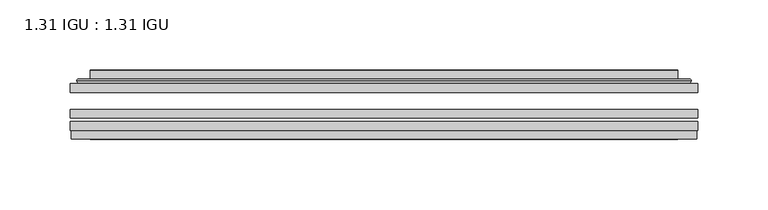
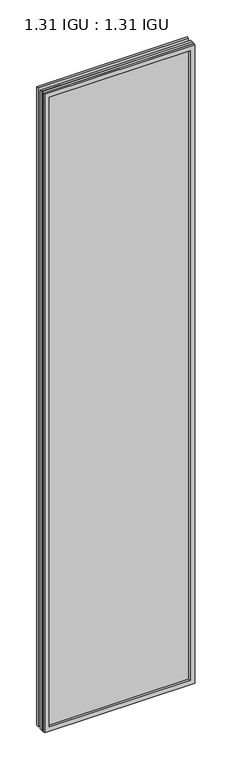
"""IFC4 building model written with IfcOpenShell, lengths in millimetres: plate geometry, 1.31 IGU : 1.31 IGU."""

from ifc_helpers import new_model, si_unit, frame, origin, place, context, project, spatial, polyline, ellipse_curve, outline, extrude, faceted_brep, source, transform, mapped, element, save
from ifc_brep_helpers import plane_surface, cylinder_surface, advanced_brep


def plate_1_31_igu_1_31_igu_d78f75a2(model_context):
    return source(origin(), model_context, "Body", "SolidModel", [
        extrude(outline(polyline([(223.851675, -63.59525), (223.851675, -69.94525), (-223.8375, -69.94525), (-223.8375, -63.59525), (223.851675, -63.59525)])), frame((0.0, 0.0, -14.2875), z_axis=(0.0, 0.0, 1.0), x_axis=(1.0, 0.0, 0.0)), (0.0, 0.0, 1.0), 2009.8015278),
        extrude(outline(polyline([(-223.8375, -78.58125), (-223.8375, -72.230745), (223.851675, -72.230745), (223.851675, -78.58125), (-223.8375, -78.58125)])), frame((0.0, 0.0, -14.2875), z_axis=(0.0, 0.0, 1.0), x_axis=(1.0, 0.0, 0.0)), (0.0, 0.0, 1.0), 2009.8015278),
        extrude(outline(polyline([(223.851675, -45.25645), (223.851675, -51.60645), (-223.8375, -51.60645), (-223.8375, -45.25645), (223.851675, -45.25645)])), frame((0.0, 0.0, -14.2875), z_axis=(0.0, 0.0, 1.0), x_axis=(1.0, 0.0, 0.0)), (0.0, 0.0, 1.0), 2009.8015278),
        faceted_brep([(-223.1373142, -84.93125, 1994.8100441), (-223.1373142, -78.58125, 1994.8100441), (-223.1373142, -78.58125, -13.5873142), (-223.1373142, -84.93125, -13.5873142), (223.1373142, -78.58125, -13.5873142), (223.1373142, -84.93125, -13.5873142), (223.1373142, -78.58125, 1994.8100441), (223.1373142, -84.93125, 1994.8100441), (-208.6522559, -78.58125, 0.8977441), (208.6522559, -78.58125, 0.8977441), (208.6522559, -78.58125, 1980.3249858), (-208.6522559, -78.58125, 1980.3249858), (-209.5446902, -84.93125, 1981.2174201), (209.5446902, -84.93125, 1981.2174201), (209.5446902, -84.93125, 0.0053098), (-209.5446902, -84.93125, 0.0053098)], [[[0, 1, 2, 3]], [[3, 2, 4, 5]], [[5, 4, 6, 7]], [[1, 6, 4, 2], [8, 9, 10, 11]], [[7, 6, 1, 0]], [[3, 5, 7, 0], [12, 13, 14, 15]], [[11, 12, 15, 8]], [[8, 15, 14, 9]], [[9, 14, 13, 10]], [[10, 13, 12, 11]]]),
        advanced_brep(
        [(-216.596219, -45.25645, 1988.2689489), (-218.9504244, -43.2667833, 1990.6231543), (-218.9504244, -43.2667833, -9.4004244), (-216.596219, -45.25645, -7.046219), (-207.5218939, -41.416413, 1979.1946238), (-202.5870621, -45.25645, 1974.2597919), (-202.5870621, -45.25645, 6.9629379), (-207.5218939, -41.416413, 2.0281061), (-208.5539217, -36.0191819, 1980.2266515), (-208.5539217, -36.0191819, 0.9960783), (-209.5445784, -35.6202069, 1981.2173083), (-209.5445784, -35.6202069, 0.0054216), (-209.5445784, -42.08145, 1981.2173083), (-209.5445784, -42.08145, 0.0054216), (-217.9486349, -42.08145, 1989.6213648), (-217.9486349, -42.08145, -8.3986349), (218.9504244, -43.2667833, -9.4004244), (216.596219, -45.25645, -7.046219), (202.5870621, -45.25645, 6.9629379), (207.5218939, -41.416413, 2.0281061), (208.5539217, -36.0191819, 0.9960783), (209.5445784, -35.6202069, 0.0054216), (209.5445784, -42.08145, 0.0054216), (217.9486349, -42.08145, -8.3986349), (218.9504244, -43.2667833, 1990.6231543), (216.596219, -45.25645, 1988.2689489), (202.5870621, -45.25645, 1974.2597919), (207.5218939, -41.416413, 1979.1946238), (208.5539217, -36.0191819, 1980.2266515), (209.5445784, -35.6202069, 1981.2173083), (209.5445784, -42.08145, 1981.2173083), (217.9486349, -42.08145, 1989.6213648)],
        [
            (0, 1, ellipse_curve(frame((-216.596219, -42.86885, 1988.2689489), z_axis=(-0.7071067811865475, 0.0, -0.7071067811865475), x_axis=(-0.7071067811865474, 0.0, 0.7071067811865476)), 3.3765763, 2.3876)),
            (1, 2),
            (2, 3, ellipse_curve(frame((-216.596219, -42.86885, -7.046219), z_axis=(-0.7071067811865475, 0.0, 0.7071067811865475), x_axis=(0.7071067811865474, 0.0, 0.7071067811865476)), 3.3765763, 2.3876)),
            (3, 0),
            (4, 5),
            (5, 6),
            (6, 7),
            (7, 4),
            (8, 4),
            (7, 9),
            (9, 8),
            (10, 8, ellipse_curve(frame((-209.1776219, -36.1384423, 1980.8503517), z_axis=(-0.7071067811865475, 0.0, -0.7071067811865475), x_axis=(-0.7071067811865474, 0.0, 0.7071067811865476)), 0.8980256, 0.635)),
            (9, 11, ellipse_curve(frame((-209.1776219, -36.1384423, 0.3723781), z_axis=(-0.7071067811865475, 0.0, 0.7071067811865475), x_axis=(0.7071067811865474, 0.0, 0.7071067811865476)), 0.8980256, 0.635)),
            (11, 10),
            (12, 10),
            (11, 13),
            (13, 12),
            (1, 14, ellipse_curve(frame((-217.9486349, -43.09745, 1989.6213648), z_axis=(-0.7071067811865475, 0.0, -0.7071067811865475), x_axis=(-0.7071067811865474, 0.0, 0.7071067811865476)), 1.436841, 1.016)),
            (14, 15),
            (15, 2, ellipse_curve(frame((-217.9486349, -43.09745, -8.3986349), z_axis=(-0.7071067811865475, 0.0, 0.7071067811865475), x_axis=(0.7071067811865474, 0.0, 0.7071067811865476)), 1.436841, 1.016)),
            (2, 16),
            (16, 17, ellipse_curve(frame((216.596219, -42.86885, -7.046219), z_axis=(-0.7071067811865475, 0.0, -0.7071067811865475), x_axis=(-0.7071067811865476, 0.0, 0.7071067811865474)), 3.3765763, 2.3876)),
            (17, 3),
            (6, 18),
            (18, 19),
            (19, 7),
            (19, 20),
            (20, 9),
            (20, 21, ellipse_curve(frame((209.1776219, -36.1384423, 0.3723781), z_axis=(-0.7071067811865475, 0.0, -0.7071067811865475), x_axis=(-0.7071067811865476, 0.0, 0.7071067811865474)), 0.8980256, 0.635)),
            (21, 11),
            (21, 22),
            (22, 13),
            (15, 23),
            (23, 16, ellipse_curve(frame((217.9486349, -43.09745, -8.3986349), z_axis=(-0.7071067811865475, 0.0, -0.7071067811865475), x_axis=(-0.7071067811865476, 0.0, 0.7071067811865474)), 1.436841, 1.016)),
            (16, 24),
            (24, 25, ellipse_curve(frame((216.596219, -42.86885, 1988.2689489), z_axis=(0.7071067811865475, 0.0, -0.7071067811865475), x_axis=(-0.7071067811865474, 0.0, -0.7071067811865476)), 3.3765763, 2.3876)),
            (25, 17),
            (18, 26),
            (26, 27),
            (27, 19),
            (27, 28),
            (28, 20),
            (28, 29, ellipse_curve(frame((209.1776219, -36.1384423, 1980.8503517), z_axis=(0.7071067811865475, 0.0, -0.7071067811865475), x_axis=(-0.7071067811865474, 0.0, -0.7071067811865476)), 0.8980256, 0.635)),
            (29, 21),
            (29, 30),
            (30, 22),
            (23, 31),
            (31, 24, ellipse_curve(frame((217.9486349, -43.09745, 1989.6213648), z_axis=(0.7071067811865475, 0.0, -0.7071067811865475), x_axis=(-0.7071067811865474, 0.0, -0.7071067811865476)), 1.436841, 1.016)),
            (24, 1),
            (0, 25),
            (5, 26),
            (4, 27),
            (8, 28),
            (10, 29),
            (12, 30),
            (14, 31),
        ],
        [
            cylinder_surface(frame((-216.596219, -42.86885, 2012.9727299), z_axis=(0.0, 0.0, 1.0), x_axis=(-1.0, 0.0, 0.0)), 2.3876),
            plane_surface(frame((-202.5870621, -45.25645, 1974.2597919), z_axis=(0.6141233906514794, 0.7892100234124821, 0.0), x_axis=(0.0, 0.0, -1.0))),
            plane_surface(frame((-207.5218939, -41.416413, 1979.1946238), z_axis=(0.9822050625507729, 0.18781164793386076, 0.0), x_axis=(0.0, 0.0, -1.0))),
            cylinder_surface(frame((-209.1776219, -36.1384423, 2012.9727299), z_axis=(0.0, 0.0, 1.0), x_axis=(-1.0, 0.0, 0.0)), 0.635),
            plane_surface(frame((-209.5445784, -35.6202069, 1981.2173083), z_axis=(-1.0, 0.0, 0.0), x_axis=(0.0, 0.0, -1.0))),
            cylinder_surface(frame((-217.9486349, -43.09745, 2012.9727299), z_axis=(0.0, 0.0, 1.0), x_axis=(-1.0, 0.0, 0.0)), 1.016),
            cylinder_surface(frame((-241.3, -42.86885, -7.046219), z_axis=(-1.0, 0.0, 0.0), x_axis=(0.0, 0.0, -1.0)), 2.3876),
            plane_surface(frame((-202.5870621, -45.25645, 6.9629379), z_axis=(0.0, 0.7892100234124841, 0.6141233906514768), x_axis=(1.0, 0.0, 0.0))),
            plane_surface(frame((-207.5218939, -41.416413, 2.0281061), z_axis=(0.0, 0.18781164793386393, 0.9822050625507723), x_axis=(1.0, 0.0, 0.0))),
            cylinder_surface(frame((-241.3, -36.1384423, 0.3723781), z_axis=(-1.0, 0.0, 0.0), x_axis=(0.0, 0.0, -1.0)), 0.635),
            plane_surface(frame((-209.5445784, -35.6202069, 0.0054216), z_axis=(0.0, 0.0, -1.0), x_axis=(1.0, 0.0, 0.0))),
            cylinder_surface(frame((-241.3, -43.09745, -8.3986349), z_axis=(-1.0, 0.0, 0.0), x_axis=(0.0, 0.0, -1.0)), 1.016),
            cylinder_surface(frame((216.596219, -42.86885, -31.75), z_axis=(0.0, 0.0, -1.0), x_axis=(1.0, 0.0, 0.0)), 2.3876),
            plane_surface(frame((202.5870621, -45.25645, 6.9629379), z_axis=(-0.6141233906514743, 0.7892100234124861, 0.0), x_axis=(0.0, 0.0, 1.0))),
            plane_surface(frame((207.5218939, -41.416413, 2.0281061), z_axis=(-0.9822050625507718, 0.1878116479338671, 0.0), x_axis=(0.0, 0.0, 1.0))),
            cylinder_surface(frame((209.1776219, -36.1384423, -31.75), z_axis=(0.0, 0.0, -1.0), x_axis=(1.0, 0.0, 0.0)), 0.635),
            plane_surface(frame((209.5445784, -35.6202069, 0.0054216), z_axis=(1.0, 0.0, 0.0), x_axis=(0.0, 0.0, 1.0))),
            cylinder_surface(frame((217.9486349, -43.09745, -31.75), z_axis=(0.0, 0.0, -1.0), x_axis=(1.0, 0.0, 0.0)), 1.016),
            cylinder_surface(frame((241.3, -42.86885, 1988.2689489), z_axis=(1.0, 0.0, 0.0), x_axis=(0.0, 0.0, 1.0)), 2.3876),
            plane_surface(frame((216.596219, -45.25645, 1988.2689489), z_axis=(0.0, -1.0, 0.0), x_axis=(-1.0, 0.0, 0.0))),
            plane_surface(frame((202.5870621, -45.25645, 1974.2597919), z_axis=(0.0, 0.7892100234124841, -0.6141233906514768), x_axis=(-1.0, 0.0, 0.0))),
            plane_surface(frame((207.5218939, -41.416413, 1979.1946238), z_axis=(0.0, 0.18781164793386393, -0.9822050625507723), x_axis=(-1.0, 0.0, 0.0))),
            cylinder_surface(frame((241.3, -36.1384423, 1980.8503517), z_axis=(1.0, 0.0, 0.0), x_axis=(0.0, 0.0, 1.0)), 0.635),
            plane_surface(frame((209.5445784, -35.6202069, 1981.2173083), z_axis=(0.0, 0.0, 1.0), x_axis=(-1.0, 0.0, 0.0))),
            plane_surface(frame((209.5445784, -42.08145, 1981.2173083), z_axis=(0.0, 1.0, 0.0), x_axis=(-1.0, 0.0, 0.0))),
            cylinder_surface(frame((241.3, -43.09745, 1989.6213648), z_axis=(1.0, 0.0, 0.0), x_axis=(0.0, 0.0, 1.0)), 1.016),
        ],
        [
            (0, [[1, 2, 3, 4]]),
            (1, [[5, 6, 7, 8]]),
            (2, [[9, -8, 10, 11]]),
            (3, [[12, -11, 13, 14]]),
            (4, [[15, -14, 16, 17]]),
            (5, [[18, 19, 20, -2]]),
            (6, [[-3, 21, 22, 23]]),
            (7, [[-7, 24, 25, 26]]),
            (8, [[-10, -26, 27, 28]]),
            (9, [[-13, -28, 29, 30]]),
            (10, [[-16, -30, 31, 32]]),
            (11, [[-20, 33, 34, -21]]),
            (12, [[-22, 35, 36, 37]]),
            (13, [[-25, 38, 39, 40]]),
            (14, [[-27, -40, 41, 42]]),
            (15, [[-29, -42, 43, 44]]),
            (16, [[-31, -44, 45, 46]]),
            (17, [[-34, 47, 48, -35]]),
            (18, [[-36, 49, -1, 50]]),
            (19, [[-23, -37, -50, -4], [51, -38, -24, -6]]),
            (20, [[-39, -51, -5, 52]]),
            (21, [[-41, -52, -9, 53]]),
            (22, [[-43, -53, -12, 54]]),
            (23, [[-45, -54, -15, 55]]),
            (24, [[56, -47, -33, -19], [-32, -46, -55, -17]]),
            (25, [[-48, -56, -18, -49]]),
        ],
    ),
    ])


if __name__ == "__main__":
    model = new_model("IFC4")
    model_context = context("Model", 3, world=origin())
    ifc_project = project(units=[si_unit("LENGTHUNIT", "METRE", prefix="MILLI")], contexts=[model_context])
    site = spatial("IfcSite", under=ifc_project)
    building = spatial("IfcBuilding", under=site)
    placement = place(None, origin())
    plate_1_31_igu_1_31_igu_shape = plate_1_31_igu_1_31_igu_d78f75a2(model_context)
    element("IfcPlate", 1, ObjectType="1.31 IGU : 1.31 IGU", at=placement, inside=building, context=model_context, shape_type="MappedRepresentation", body=[
        mapped(plate_1_31_igu_1_31_igu_shape, transform((0.0, 0.0, 0.0), x_axis=(1.0, 0.0, 0.0), y_axis=(0.0, 1.0, 0.0), z_axis=(0.0, 0.0, 1.0))),
    ])
    save(model, "model.ifc")
